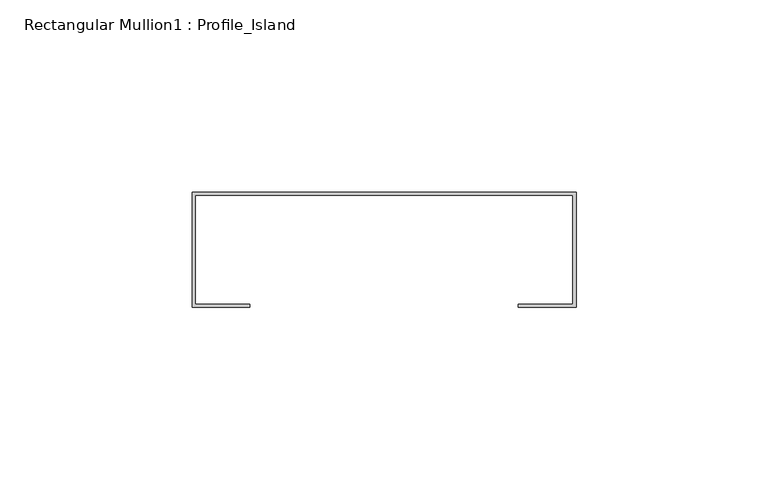
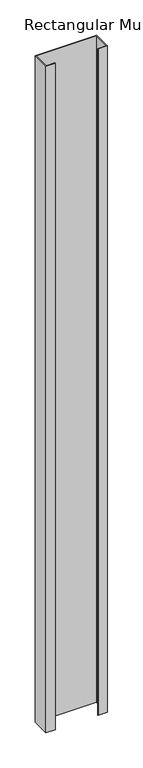
"""IFC4 building model written with IfcOpenShell, lengths in millimetres: member geometry, Rectangular Mullion1 : Profile_Island."""

from ifc_helpers import new_model, si_unit, frame, origin, place, context, project, spatial, polyline, outline, extrude, source, transform, mapped, element, save


def rectangular_mullion1_profile_island_b55164ef(model_context):
    return source(origin(), model_context, "Body", "SweptSolid", [
        extrude(outline(polyline([(0.0, 32.0), (0.0, 2.0), (-15.0, 2.0), (-15.0, 2.8), (-0.8, 2.8), (-0.8, 31.2), (-99.2, 31.2), (-99.2, 2.8), (-85.0, 2.8), (-85.0, 2.0), (-100.0, 2.0), (-100.0, 32.0), (0.0, 32.0)])), frame((0.0, 0.0, -1149.8), z_axis=(0.0, 0.0, 1.0), x_axis=(1.0, 0.0, 0.0)), (0.0, 0.0, 1.0), 1149.8),
    ])


if __name__ == "__main__":
    model = new_model("IFC4")
    model_context = context("Model", 3, world=origin())
    ifc_project = project(units=[si_unit("LENGTHUNIT", "METRE", prefix="MILLI")], contexts=[model_context])
    site = spatial("IfcSite", under=ifc_project)
    building = spatial("IfcBuilding", under=site)
    placement = place(None, origin())
    rectangular_mullion1_profile_island_shape = rectangular_mullion1_profile_island_b55164ef(model_context)
    element("IfcMember", 1, ObjectType="Rectangular Mullion1 : Profile_Island", at=placement, inside=building, context=model_context, shape_type="MappedRepresentation", body=[
        mapped(rectangular_mullion1_profile_island_shape, transform((0.0, 0.0, 0.0), x_axis=(1.0, 0.0, 0.0), y_axis=(0.0, 1.0, 0.0), z_axis=(0.0, 0.0, 1.0))),
    ])
    save(model, "model.ifc")
